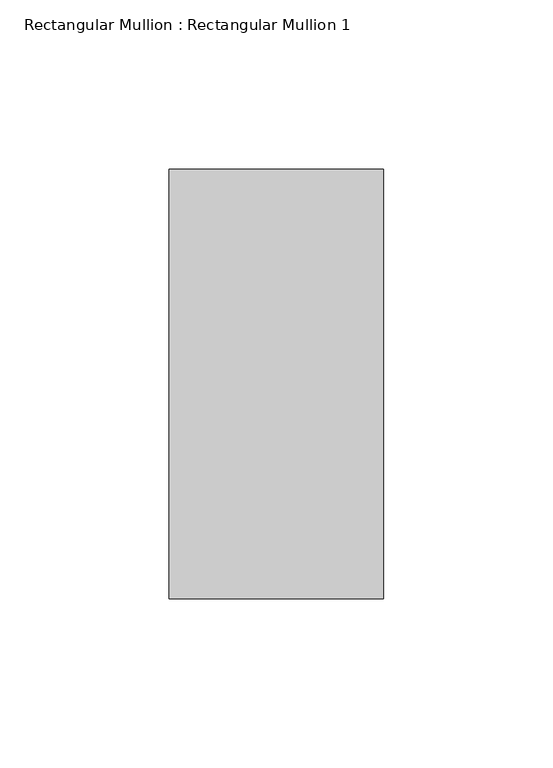
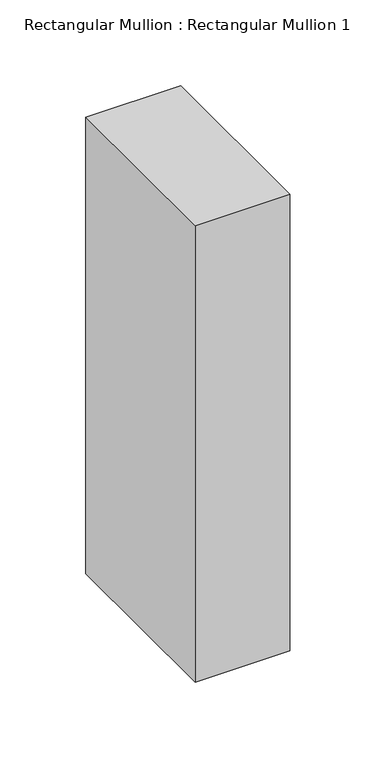
"""IFC4 building model written with IfcOpenShell, lengths in millimetres: member geometry, Rectangular Mullion : Rectangular Mullion 1."""

import ifcopenshell
import ifcopenshell.guid

model = None  # the IFC model being written
_history = None  # IfcOwnerHistory: only IFC2X3 demands one
_inside = {}  # id of a spatial element -> (the spatial element, [elements in it])
_under = {}  # id of a project, library or spatial element -> (it, [spatial elements below it])
_declared = {}  # id of a project -> (the project, [libraries it declares])
_typed = {}  # id of a type object -> (the type object, [elements of that type])
_made_of = {}  # id of a material, layer set ... -> (it, [elements and type objects made of it])


def new_model(schema):
    """Start an empty IFC model of exactly this schema.

    Asked for "IFC4X3", IfcOpenShell would pick the latest addendum, in which some entities
    have other attributes; the version numbers below select the first issue.
    IFC2X3 requires an IfcOwnerHistory on every rooted entity: one is made here for all.
    """
    global model, _history
    if schema == "IFC4X3":
        model = ifcopenshell.file(schema_version=(4, 3, 0, 0))
    else:
        model = ifcopenshell.file(schema=schema)
    _inside.clear()
    _under.clear()
    _declared.clear()
    _typed.clear()
    _made_of.clear()
    _history = None
    if model.schema == "IFC2X3":
        org = make("IfcOrganization", Name="unknown")
        user = make(
            "IfcPersonAndOrganization",
            ThePerson=make("IfcPerson", FamilyName="unknown"),
            TheOrganization=org,
        )
        app = make(
            "IfcApplication",
            ApplicationDeveloper=org,
            Version="unknown",
            ApplicationFullName="unknown",
            ApplicationIdentifier="unknown",
        )
        _history = make(
            "IfcOwnerHistory",
            OwningUser=user,
            OwningApplication=app,
            ChangeAction="ADDED",
            CreationDate=0,
        )
    return model


def make(cls, **values):
    """One entity of the class cls with the attributes given. An attribute that is None is left unset."""
    return model.create_entity(
        cls, **{name: value for name, value in values.items() if value is not None}
    )


def rooted(cls, **values):
    """An entity with a GlobalId (a new one), such as an element, a storey or a relation."""
    return make(cls, GlobalId=ifcopenshell.guid.new(), OwnerHistory=_history, **values)


def si_unit(unit_type, name, prefix=None):
    """IfcSIUnit, for example si_unit("LENGTHUNIT", "METRE", prefix="MILLI")."""
    return make("IfcSIUnit", UnitType=unit_type, Prefix=prefix, Name=name)


def assignment(units):
    """IfcUnitAssignment: the units of a project."""
    return None if units is None else make("IfcUnitAssignment", Units=units)


def point(xyz):
    """IfcCartesianPoint."""
    return None if xyz is None else make("IfcCartesianPoint", Coordinates=xyz)


def direction(xyz):
    """IfcDirection."""
    return None if xyz is None else make("IfcDirection", DirectionRatios=xyz)


def frame(location, z_axis=None, x_axis=None):
    """IfcAxis2Placement3D, a coordinate frame: its origin and axes. An axis left out is left unset."""
    return make(
        "IfcAxis2Placement3D",
        Location=point(location),
        Axis=direction(z_axis),
        RefDirection=direction(x_axis),
    )


def origin():
    """The frame at (0, 0, 0) with its axes left unset."""
    return frame((0.0, 0.0, 0.0))


def place(relative_to, where):
    """IfcLocalPlacement: puts the frame where relative to a parent placement (None: the world)."""
    return make(
        "IfcLocalPlacement", PlacementRelTo=relative_to, RelativePlacement=where
    )


def context(
    kind, dimensions, precision=None, world=None, true_north=None, identifier=None
):
    """IfcGeometricRepresentationContext, for example the 3D "Model" context."""
    return make(
        "IfcGeometricRepresentationContext",
        ContextIdentifier=identifier,
        ContextType=kind,
        CoordinateSpaceDimension=dimensions,
        Precision=precision,
        WorldCoordinateSystem=world,
        TrueNorth=true_north,
    )


def project(units=None, contexts=None):
    """IfcProject with its units and contexts."""
    return rooted(
        "IfcProject",
        Name="project",
        RepresentationContexts=contexts,
        UnitsInContext=assignment(units),
    )


def spatial(cls, under=None, at=None, **own):
    """A site, building, storey or space (cls), placed at a placement, below another one or the project."""
    s = rooted(cls, ObjectPlacement=at, **own)
    if under is not None:
        _under.setdefault(under.id(), (under, []))[1].append(s)
    return s


def polyline(points):
    """IfcPolyline through the points."""
    return make("IfcPolyline", Points=[point(p) for p in points])


def outline(outer, holes=None, kind="AREA"):
    """IfcArbitraryClosedProfileDef: a profile drawn as a closed curve; with holes, ...WithVoids."""
    if holes is None:
        return make("IfcArbitraryClosedProfileDef", ProfileType=kind, OuterCurve=outer)
    return make(
        "IfcArbitraryProfileDefWithVoids",
        ProfileType=kind,
        OuterCurve=outer,
        InnerCurves=holes,
    )


def extrude(swept, where, along, depth):
    """IfcExtrudedAreaSolid: the profile swept, set in the frame where, extruded along a direction by depth."""
    return make(
        "IfcExtrudedAreaSolid",
        SweptArea=swept,
        Position=where,
        ExtrudedDirection=direction(along),
        Depth=depth,
    )


def shape(context_of_items, identifier, shape_type, items):
    """IfcShapeRepresentation: the items that make up one representation, for example the "Body"."""
    return make(
        "IfcShapeRepresentation",
        ContextOfItems=context_of_items,
        RepresentationIdentifier=identifier,
        RepresentationType=shape_type,
        Items=items,
    )


def source(mapping_origin, context_of_items, identifier, shape_type, items):
    """IfcRepresentationMap: a shape defined once, which mapped items show again and again."""
    return make(
        "IfcRepresentationMap",
        MappingOrigin=mapping_origin,
        MappedRepresentation=shape(context_of_items, identifier, shape_type, items),
    )


def transform(
    local_origin,
    x_axis=None,
    y_axis=None,
    z_axis=None,
    scale=None,
    scale2=None,
    scale3=None,
    uniform=True,
):
    """IfcCartesianTransformationOperator3D, or its non-uniform kind. x_axis, y_axis, z_axis: its Axis1, 2, 3."""
    if uniform:
        return make(
            "IfcCartesianTransformationOperator3D",
            Axis1=direction(x_axis),
            Axis2=direction(y_axis),
            LocalOrigin=point(local_origin),
            Scale=scale,
            Axis3=direction(z_axis),
        )
    return make(
        "IfcCartesianTransformationOperator3DnonUniform",
        Axis1=direction(x_axis),
        Axis2=direction(y_axis),
        LocalOrigin=point(local_origin),
        Scale=scale,
        Axis3=direction(z_axis),
        Scale2=scale2,
        Scale3=scale3,
    )


def mapped(mapping_source, mapping_target):
    """IfcMappedItem: shows the shape of a source again, moved by a transform."""
    return make(
        "IfcMappedItem", MappingSource=mapping_source, MappingTarget=mapping_target
    )


def made_of(thing, what):
    """Note that an element or type object is made of a material, layer set ...; save() writes the relation."""
    if what is not None:
        _made_of.setdefault(what.id(), (what, []))[1].append(thing)
    return thing


def element(
    cls,
    number,
    at=None,
    inside=None,
    cuts=None,
    type_object=None,
    material=None,
    context=None,
    identifier="Body",
    shape_type=None,
    held_by="IfcProductDefinitionShape",
    body=None,
    shapes=None,
    **own,
):
    """One element of the class cls, such as IfcWall. Its Tag is "e" and its number.

    at: its placement. inside: the storey or other place that contains it. cuts: it is an
    opening in that element (IfcRelVoidsElement). A single representation is given by context,
    identifier, shape_type and body (its items); several are given by shapes. held_by: the class
    of the entity that holds the representations. save() writes the other relations.
    """
    e = rooted(cls, Tag="e%d" % number, ObjectPlacement=at, **own)
    if body is not None:
        shapes = [shape(context, identifier, shape_type, body)]
    if shapes is not None:
        e.Representation = make(held_by, Representations=shapes)
    if inside is not None:
        _inside.setdefault(inside.id(), (inside, []))[1].append(e)
    if cuts is not None:
        rooted(
            "IfcRelVoidsElement", RelatingBuildingElement=cuts, RelatedOpeningElement=e
        )
    if type_object is not None:
        _typed.setdefault(type_object.id(), (type_object, []))[1].append(e)
    return made_of(e, material)


def aggregate(whole, parts):
    """IfcRelAggregates: a whole, such as a stair, and the parts it consists of."""
    return rooted("IfcRelAggregates", RelatingObject=whole, RelatedObjects=parts)


def save(model, path):
    """Write the relations noted so far, then the file.

    IfcRelAggregates (storeys below a building ...), IfcRelContainedInSpatialStructure (elements
    in a storey), IfcRelDefinesByType, IfcRelAssociatesMaterial and IfcRelDeclares: one each for
    every whole, place, type object, material and project.
    """
    for whole, parts in _under.values():
        aggregate(whole, parts)
    for where, things in _inside.values():
        rooted(
            "IfcRelContainedInSpatialStructure",
            RelatedElements=things,
            RelatingStructure=where,
        )
    for kind, things in _typed.values():
        rooted("IfcRelDefinesByType", RelatedObjects=things, RelatingType=kind)
    for what, things in _made_of.values():
        rooted("IfcRelAssociatesMaterial", RelatedObjects=things, RelatingMaterial=what)
    for by, libraries in _declared.values():
        rooted("IfcRelDeclares", RelatingContext=by, RelatedDefinitions=libraries)
    model.write(path)


def rectangular_mullion_rectangular_mullion_1_76733486(model_context):
    return source(origin(), model_context, "Body", "SweptSolid", [
        extrude(outline(polyline([(31.75, 63.5), (31.75, -63.5), (-31.75, -63.5), (-31.75, 63.5), (31.75, 63.5)])), frame((0.0, 0.0, -323.85), z_axis=(0.0, 0.0, 1.0), x_axis=(1.0, 0.0, 0.0)), (0.0, 0.0, 1.0), 323.85),
    ])


if __name__ == "__main__":
    model = new_model("IFC4")
    model_context = context("Model", 3, world=origin())
    ifc_project = project(units=[si_unit("LENGTHUNIT", "METRE", prefix="MILLI")], contexts=[model_context])
    site = spatial("IfcSite", under=ifc_project)
    building = spatial("IfcBuilding", under=site)
    placement = place(None, origin())
    rectangular_mullion_rectangular_mullion_1_shape = rectangular_mullion_rectangular_mullion_1_76733486(model_context)
    element("IfcMember", 1, ObjectType="Rectangular Mullion : Rectangular Mullion 1", at=placement, inside=building, context=model_context, shape_type="MappedRepresentation", body=[
        mapped(rectangular_mullion_rectangular_mullion_1_shape, transform((0.0, 0.0, 0.0), x_axis=(1.0, 0.0, 0.0), y_axis=(0.0, 1.0, 0.0), z_axis=(0.0, 0.0, 1.0))),
    ])
    save(model, "model.ifc")
